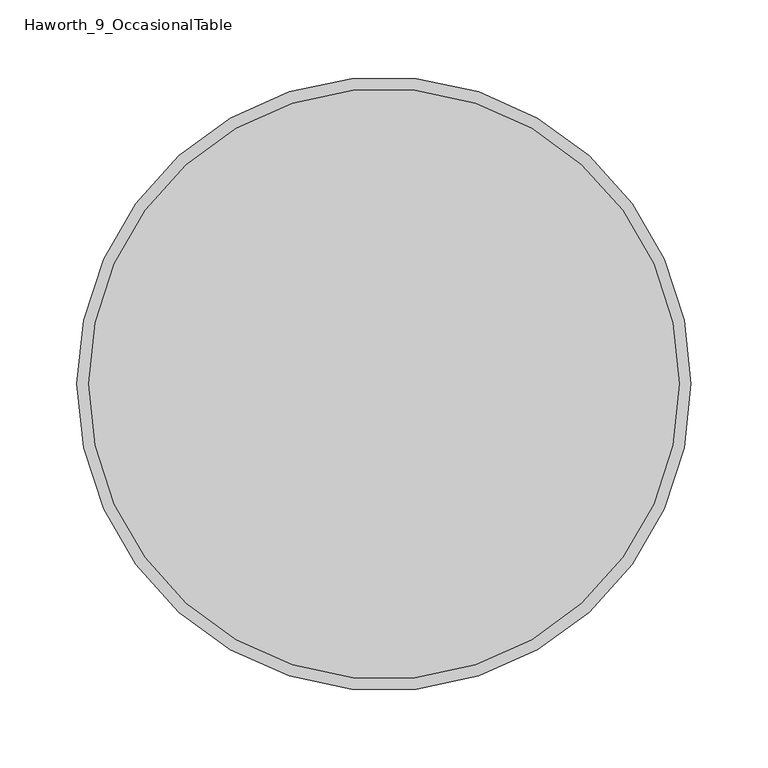
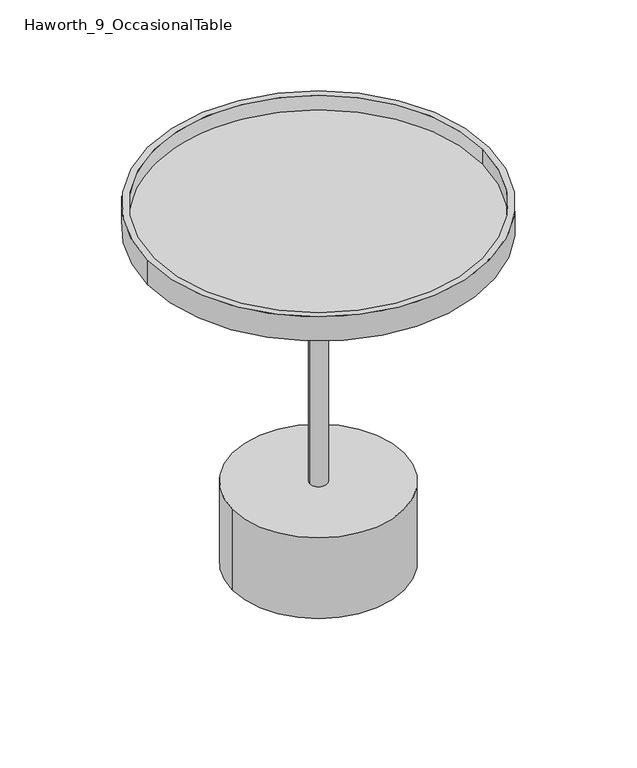
"""IFC4 building model written with IfcOpenShell, lengths in millimetres: furniture geometry, Haworth_9_OccasionalTable."""

from ifc_helpers import new_model, si_unit, point, frame, frame_2d, origin, origin_with_axes, place, context, project, spatial, polyline, circle_curve, ellipse_curve, trimmed, segment, composite_curve, outline, extrude, source, transform, mapped, element, save
from ifc_brep_helpers import plane_surface, revolved_surface, advanced_brep


def haworth_9_occasionaltable_147bec7e(model_context):
    return source(origin(), model_context, "Body", "SolidModel", [
        extrude(outline(composite_curve([segment(trimmed(circle_curve(frame_2d((-155.4452882, -292.1)), 191.77), [point((-347.2152882, -292.1))], [point((36.3247118, -292.1))], False, "CARTESIAN"), True, "CONTINUOUS"), segment(trimmed(circle_curve(frame_2d((-155.4452882, -292.1)), 191.77), [point((36.3247118, -292.1))], [point((-347.2152882, -292.1))], False, "CARTESIAN"), True, "CONTINUOUS")], self_intersect=False), holes=[composite_curve([segment(trimmed(circle_curve(frame_2d((-232.9383677, -426.8865382)), 12.7), [point((-245.6383677, -426.8865382))], [point((-220.2383677, -426.8865382))], True, "CARTESIAN"), True, "CONTINUOUS"), segment(trimmed(circle_curve(frame_2d((-232.9383677, -426.8865382)), 12.7), [point((-220.2383677, -426.8865382))], [point((-245.6383677, -426.8865382))], True, "CARTESIAN"), True, "CONTINUOUS")], self_intersect=False)]), frame((0.0, 0.0, 414.9139949), z_axis=(0.0, 0.0, 1.0), x_axis=(1.0, 0.0, 0.0)), (0.0, 0.0, 1.0), 4.9942446),
        extrude(outline(composite_curve([segment(trimmed(circle_curve(frame_2d((-155.4452882, -292.1)), 191.77), [point((-347.2152882, -292.1))], [point((36.3247118, -292.1))], False, "CARTESIAN"), True, "CONTINUOUS"), segment(trimmed(circle_curve(frame_2d((-155.4452882, -292.1)), 191.77), [point((36.3247118, -292.1))], [point((-347.2152882, -292.1))], False, "CARTESIAN"), True, "CONTINUOUS")], self_intersect=False)), frame((0.0, 0.0, 419.9082394), z_axis=(0.0, 0.0, 1.0), x_axis=(1.0, 0.0, 0.0)), (0.0, 0.0, 1.0), 6.9967023),
        extrude(outline(composite_curve([segment(trimmed(circle_curve(frame_2d((-155.4452882, -292.1)), 199.39), [point((-354.8352882, -292.1))], [point((43.9447118, -292.1))], False, "CARTESIAN"), True, "CONTINUOUS"), segment(trimmed(circle_curve(frame_2d((-155.4452882, -292.1)), 199.39), [point((43.9447118, -292.1))], [point((-354.8352882, -292.1))], False, "CARTESIAN"), True, "CONTINUOUS")], self_intersect=False), holes=[composite_curve([segment(trimmed(circle_curve(frame_2d((-155.4452882, -292.1)), 191.77), [point((-347.2152882, -292.1))], [point((36.3247118, -292.1))], True, "CARTESIAN"), True, "CONTINUOUS"), segment(trimmed(circle_curve(frame_2d((-155.4452882, -292.1)), 191.77), [point((36.3247118, -292.1))], [point((-347.2152882, -292.1))], True, "CARTESIAN"), True, "CONTINUOUS")], self_intersect=False)]), frame((0.0, 0.0, 414.9139949), z_axis=(0.0, 0.0, 1.0), x_axis=(1.0, 0.0, 0.0)), (0.0, 0.0, 1.0), 30.000022),
        advanced_brep(
        [(-284.8188626, -292.1027186, 417.5852728), (-26.0717137, -292.1027186, 417.5852728), (-155.4452882, -292.1027186, 417.5852728), (-284.5696781, -292.1027186, 412.8691674), (-26.3208982, -292.1027186, 412.8691674), (-281.0894483, -292.1027186, 409.3665109), (-29.801128, -292.1027186, 409.3665109), (-165.4613858, -292.1027186, 402.5120286), (-145.4291905, -292.1027186, 402.5120286), (-155.4452882, -292.1027186, 402.5120286)],
        [
            (0, 1, circle_curve(frame((-155.4452882, -292.1027186, 417.5852728), z_axis=(0.0, 0.0, 1.0), x_axis=(1.0, 0.0, 0.0)), 129.3735745)),
            (1, 2),
            (2, 0),
            (1, 0, circle_curve(frame((-155.4452882, -292.1027186, 417.5852728), z_axis=(0.0, 0.0, 1.0), x_axis=(1.0, 0.0, 0.0)), 129.3735745)),
            (3, 4, circle_curve(frame((-155.4452882, -292.1027186, 412.8691674), z_axis=(0.0, 0.0, 1.0), x_axis=(1.0, 0.0, 0.0)), 129.12439)),
            (4, 1),
            (0, 3),
            (4, 3, circle_curve(frame((-155.4452882, -292.1027186, 412.8691674), z_axis=(0.0, 0.0, 1.0), x_axis=(1.0, 0.0, 0.0)), 129.12439)),
            (5, 6, circle_curve(frame((-155.4452882, -292.1027186, 409.3665109), z_axis=(0.0, 0.0, 1.0), x_axis=(1.0, 0.0, 0.0)), 125.6441602)),
            (6, 4, circle_curve(frame((-30.0203544, -292.1027186, 413.0646353), z_axis=(0.0, -1.0, 0.0), x_axis=(-1.0, 0.0, 0.0)), 3.7046166)),
            (3, 5, circle_curve(frame((-280.8702219, -292.1027186, 413.0646353), z_axis=(0.0, -1.0, 0.0), x_axis=(1.0, 0.0, 0.0)), 3.7046166)),
            (6, 5, circle_curve(frame((-155.4452882, -292.1027186, 409.3665109), z_axis=(0.0, 0.0, 1.0), x_axis=(1.0, 0.0, 0.0)), 125.6441602)),
            (7, 8, circle_curve(frame((-155.4452882, -292.1027186, 402.5120286), z_axis=(0.0, 0.0, 1.0), x_axis=(1.0, 0.0, 0.0)), 10.0160977)),
            (8, 6),
            (5, 7),
            (8, 7, circle_curve(frame((-155.4452882, -292.1027186, 402.5120286), z_axis=(0.0, 0.0, 1.0), x_axis=(1.0, 0.0, 0.0)), 10.0160977)),
            (9, 8),
            (7, 9),
        ],
        [
            plane_surface(frame((-155.4452882, -292.1027186, 417.5852728), z_axis=(0.0, 0.0, 1.0), x_axis=(1.0, 0.0, 0.0))),
            revolved_surface(polyline([(-26.0717137, -292.1027186, 417.5852728), (-26.3208982, -292.1027186, 412.8691674)]), (-155.4452882, -292.1027186, 417.5852728), (0.0, 0.0, -1.0)),
            revolved_surface(trimmed(ellipse_curve(frame((-30.0203544, -292.1027186, 413.0646353), z_axis=(0.0, 1.0, 0.0), x_axis=(-1.0, 0.0, 0.0)), 3.7046166, 3.7046166), [point((-26.3208982, -292.1027186, 412.8691674))], [point((-29.801128, -292.1027186, 409.3665109))], True, "CARTESIAN"), (-155.4452882, -292.1027186, 417.5852728), (0.0, 0.0, -1.0)),
            revolved_surface(polyline([(-29.801128, -292.1027186, 409.3665109), (-145.4291905, -292.1027186, 402.5120286)]), (-155.4452882, -292.1027186, 417.5852728), (0.0, 0.0, -1.0)),
            plane_surface(frame((-155.4452882, -292.1027186, 402.5120286), z_axis=(0.0, 0.0, -1.0), x_axis=(1.0, 0.0, 0.0))),
        ],
        [
            (0, [[1, 2, 3]]),
            (0, [[4, -3, -2]]),
            (1, [[5, 6, -1, 7]]),
            (1, [[8, -7, -4, -6]]),
            (2, [[9, 10, -5, 11]]),
            (2, [[12, -11, -8, -10]]),
            (3, [[13, 14, -9, 15]]),
            (3, [[16, -15, -12, -14]]),
            (4, [[17, -13, 18]]),
            (4, [[-18, -16, -17]]),
        ],
    ),
        extrude(outline(composite_curve([segment(trimmed(circle_curve(frame_2d((-155.4452882, -292.1)), 10.0160977), [point((-165.4613858, -292.1))], [point((-145.4291905, -292.1))], False, "CARTESIAN"), True, "CONTINUOUS"), segment(trimmed(circle_curve(frame_2d((-155.4452882, -292.1)), 10.0160977), [point((-145.4291905, -292.1))], [point((-165.4613858, -292.1))], False, "CARTESIAN"), True, "CONTINUOUS")], self_intersect=False)), frame((0.0, 0.0, 102.5745621), z_axis=(0.0, 0.0, 1.0), x_axis=(1.0, 0.0, 0.0)), (0.0, 0.0, 1.0), 299.9374665),
        extrude(outline(composite_curve([segment(trimmed(circle_curve(frame_2d((-155.4452882, -292.1)), 95.0996992), [point((-250.5449874, -292.1))], [point((-60.3455889, -292.1))], False, "CARTESIAN"), True, "CONTINUOUS"), segment(trimmed(circle_curve(frame_2d((-155.4452882, -292.1)), 95.0996992), [point((-60.3455889, -292.1))], [point((-250.5449874, -292.1))], False, "CARTESIAN"), True, "CONTINUOUS")], self_intersect=False)), origin_with_axes(), (0.0, 0.0, 1.0), 3.0065621),
        extrude(outline(composite_curve([segment(trimmed(circle_curve(frame_2d((-155.4452882, -292.1)), 100.2289836), [point((-255.6742718, -292.1))], [point((-55.2163045, -292.1))], False, "CARTESIAN"), True, "CONTINUOUS"), segment(trimmed(circle_curve(frame_2d((-155.4452882, -292.1)), 100.2289836), [point((-55.2163045, -292.1))], [point((-255.6742718, -292.1))], False, "CARTESIAN"), True, "CONTINUOUS")], self_intersect=False)), frame((0.0, 0.0, 3.0065621), z_axis=(0.0, 0.0, 1.0), x_axis=(1.0, 0.0, 0.0)), (0.0, 0.0, 1.0), 99.568),
    ])


if __name__ == "__main__":
    model = new_model("IFC4")
    model_context = context("Model", 3, world=origin())
    ifc_project = project(units=[si_unit("LENGTHUNIT", "METRE", prefix="MILLI")], contexts=[model_context])
    site = spatial("IfcSite", under=ifc_project)
    building = spatial("IfcBuilding", under=site)
    placement = place(None, origin())
    haworth_9_occasionaltable_shape = haworth_9_occasionaltable_147bec7e(model_context)
    element("IfcFurniture", 1, ObjectType="Haworth_9_OccasionalTable", at=placement, inside=building, context=model_context, shape_type="MappedRepresentation", body=[
        mapped(haworth_9_occasionaltable_shape, transform((0.0, 0.0, 0.0), x_axis=(1.0, 0.0, 0.0), y_axis=(0.0, 1.0, 0.0), z_axis=(0.0, 0.0, 1.0))),
    ])
    save(model, "model.ifc")
